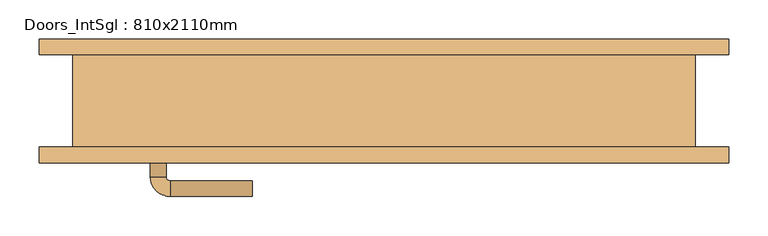
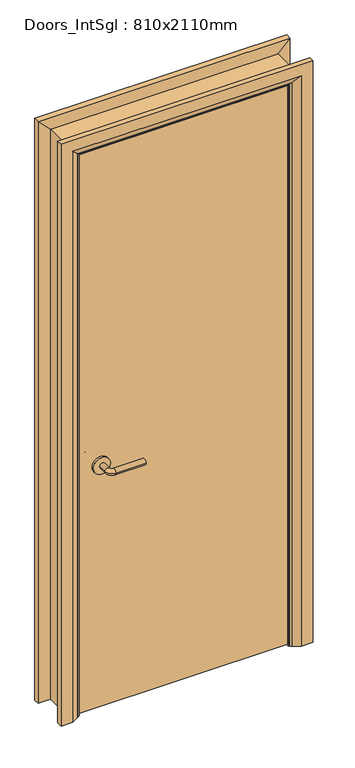
"""IFC4 building model written with IfcOpenShell, lengths in millimetres: door geometry, Doors_IntSgl : 810x2110mm."""

import ifcopenshell
import ifcopenshell.guid

model = None  # the IFC model being written
_history = None  # IfcOwnerHistory: only IFC2X3 demands one
_inside = {}  # id of a spatial element -> (the spatial element, [elements in it])
_under = {}  # id of a project, library or spatial element -> (it, [spatial elements below it])
_declared = {}  # id of a project -> (the project, [libraries it declares])
_typed = {}  # id of a type object -> (the type object, [elements of that type])
_made_of = {}  # id of a material, layer set ... -> (it, [elements and type objects made of it])


def new_model(schema):
    """Start an empty IFC model of exactly this schema.

    Asked for "IFC4X3", IfcOpenShell would pick the latest addendum, in which some entities
    have other attributes; the version numbers below select the first issue.
    IFC2X3 requires an IfcOwnerHistory on every rooted entity: one is made here for all.
    """
    global model, _history
    if schema == "IFC4X3":
        model = ifcopenshell.file(schema_version=(4, 3, 0, 0))
    else:
        model = ifcopenshell.file(schema=schema)
    _inside.clear()
    _under.clear()
    _declared.clear()
    _typed.clear()
    _made_of.clear()
    _history = None
    if model.schema == "IFC2X3":
        org = make("IfcOrganization", Name="unknown")
        user = make(
            "IfcPersonAndOrganization",
            ThePerson=make("IfcPerson", FamilyName="unknown"),
            TheOrganization=org,
        )
        app = make(
            "IfcApplication",
            ApplicationDeveloper=org,
            Version="unknown",
            ApplicationFullName="unknown",
            ApplicationIdentifier="unknown",
        )
        _history = make(
            "IfcOwnerHistory",
            OwningUser=user,
            OwningApplication=app,
            ChangeAction="ADDED",
            CreationDate=0,
        )
    return model


def make(cls, **values):
    """One entity of the class cls with the attributes given. An attribute that is None is left unset."""
    return model.create_entity(
        cls, **{name: value for name, value in values.items() if value is not None}
    )


def rooted(cls, **values):
    """An entity with a GlobalId (a new one), such as an element, a storey or a relation."""
    return make(cls, GlobalId=ifcopenshell.guid.new(), OwnerHistory=_history, **values)


def si_unit(unit_type, name, prefix=None):
    """IfcSIUnit, for example si_unit("LENGTHUNIT", "METRE", prefix="MILLI")."""
    return make("IfcSIUnit", UnitType=unit_type, Prefix=prefix, Name=name)


def assignment(units):
    """IfcUnitAssignment: the units of a project."""
    return None if units is None else make("IfcUnitAssignment", Units=units)


def point(xyz):
    """IfcCartesianPoint."""
    return None if xyz is None else make("IfcCartesianPoint", Coordinates=xyz)


def direction(xyz):
    """IfcDirection."""
    return None if xyz is None else make("IfcDirection", DirectionRatios=xyz)


def frame(location, z_axis=None, x_axis=None):
    """IfcAxis2Placement3D, a coordinate frame: its origin and axes. An axis left out is left unset."""
    return make(
        "IfcAxis2Placement3D",
        Location=point(location),
        Axis=direction(z_axis),
        RefDirection=direction(x_axis),
    )


def frame_2d(location, x_axis=None):
    """IfcAxis2Placement2D, a coordinate frame in the plane: its origin and x axis."""
    return make(
        "IfcAxis2Placement2D", Location=point(location), RefDirection=direction(x_axis)
    )


def origin():
    """The frame at (0, 0, 0) with its axes left unset."""
    return frame((0.0, 0.0, 0.0))


def place(relative_to, where):
    """IfcLocalPlacement: puts the frame where relative to a parent placement (None: the world)."""
    return make(
        "IfcLocalPlacement", PlacementRelTo=relative_to, RelativePlacement=where
    )


def context(
    kind, dimensions, precision=None, world=None, true_north=None, identifier=None
):
    """IfcGeometricRepresentationContext, for example the 3D "Model" context."""
    return make(
        "IfcGeometricRepresentationContext",
        ContextIdentifier=identifier,
        ContextType=kind,
        CoordinateSpaceDimension=dimensions,
        Precision=precision,
        WorldCoordinateSystem=world,
        TrueNorth=true_north,
    )


def project(units=None, contexts=None):
    """IfcProject with its units and contexts."""
    return rooted(
        "IfcProject",
        Name="project",
        RepresentationContexts=contexts,
        UnitsInContext=assignment(units),
    )


def spatial(cls, under=None, at=None, **own):
    """A site, building, storey or space (cls), placed at a placement, below another one or the project."""
    s = rooted(cls, ObjectPlacement=at, **own)
    if under is not None:
        _under.setdefault(under.id(), (under, []))[1].append(s)
    return s


def polyline(points):
    """IfcPolyline through the points."""
    return make("IfcPolyline", Points=[point(p) for p in points])


def circle_curve(where, radius):
    """IfcCircle in the frame where."""
    return make("IfcCircle", Position=where, Radius=radius)


def ellipse_curve(where, semi_axis1, semi_axis2):
    """IfcEllipse in the frame where."""
    return make(
        "IfcEllipse", Position=where, SemiAxis1=semi_axis1, SemiAxis2=semi_axis2
    )


def trimmed(basis, trim1, trim2, sense, master):
    """IfcTrimmedCurve: the piece of a basis curve between two trims."""
    return make(
        "IfcTrimmedCurve",
        BasisCurve=basis,
        Trim1=trim1,
        Trim2=trim2,
        SenseAgreement=sense,
        MasterRepresentation=master,
    )


def segment(curve, same_sense, transition):
    """IfcCompositeCurveSegment."""
    return make(
        "IfcCompositeCurveSegment",
        Transition=transition,
        SameSense=same_sense,
        ParentCurve=curve,
    )


def composite_curve(segments, self_intersect=None):
    """IfcCompositeCurve: segments joined end to end."""
    return make("IfcCompositeCurve", Segments=segments, SelfIntersect=self_intersect)


def outline(outer, holes=None, kind="AREA"):
    """IfcArbitraryClosedProfileDef: a profile drawn as a closed curve; with holes, ...WithVoids."""
    if holes is None:
        return make("IfcArbitraryClosedProfileDef", ProfileType=kind, OuterCurve=outer)
    return make(
        "IfcArbitraryProfileDefWithVoids",
        ProfileType=kind,
        OuterCurve=outer,
        InnerCurves=holes,
    )


def extrude(swept, where, along, depth):
    """IfcExtrudedAreaSolid: the profile swept, set in the frame where, extruded along a direction by depth."""
    return make(
        "IfcExtrudedAreaSolid",
        SweptArea=swept,
        Position=where,
        ExtrudedDirection=direction(along),
        Depth=depth,
    )


def faces_of(points, faces, orient=None, outer=None):
    """IfcFace entities. A face is a list of loops; a loop is a list of indices into points, from 0.

    orient and outer hold one flag for each loop. By default every Orientation is true, the
    first loop of a face is its IfcFaceOuterBound and the others are IfcFaceBound.
    """
    made = []
    for i, loops in enumerate(faces):
        bounds = []
        for j, loop in enumerate(loops):
            is_outer = j == 0 if outer is None else outer[i][j]
            bounds.append(
                make(
                    "IfcFaceOuterBound" if is_outer else "IfcFaceBound",
                    Bound=make("IfcPolyLoop", Polygon=[points[k] for k in loop]),
                    Orientation=True if orient is None else orient[i][j],
                )
            )
        made.append(make("IfcFace", Bounds=bounds))
    return made


def faceted_brep(points, faces, orient=None, outer=None, voids=None):
    """IfcFacetedBrep: a solid bounded by flat faces; with voids (closed shells), ...WithVoids."""
    shared = [point(p) for p in points]
    hull = make("IfcClosedShell", CfsFaces=faces_of(shared, faces, orient, outer))
    if voids is None:
        return make("IfcFacetedBrep", Outer=hull)
    return make(
        "IfcFacetedBrepWithVoids",
        Outer=hull,
        Voids=[
            make(cls, CfsFaces=faces_of(shared, fs, o, b)) for cls, fs, o, b in voids
        ],
    )


def shape(context_of_items, identifier, shape_type, items):
    """IfcShapeRepresentation: the items that make up one representation, for example the "Body"."""
    return make(
        "IfcShapeRepresentation",
        ContextOfItems=context_of_items,
        RepresentationIdentifier=identifier,
        RepresentationType=shape_type,
        Items=items,
    )


def source(mapping_origin, context_of_items, identifier, shape_type, items):
    """IfcRepresentationMap: a shape defined once, which mapped items show again and again."""
    return make(
        "IfcRepresentationMap",
        MappingOrigin=mapping_origin,
        MappedRepresentation=shape(context_of_items, identifier, shape_type, items),
    )


def transform(
    local_origin,
    x_axis=None,
    y_axis=None,
    z_axis=None,
    scale=None,
    scale2=None,
    scale3=None,
    uniform=True,
):
    """IfcCartesianTransformationOperator3D, or its non-uniform kind. x_axis, y_axis, z_axis: its Axis1, 2, 3."""
    if uniform:
        return make(
            "IfcCartesianTransformationOperator3D",
            Axis1=direction(x_axis),
            Axis2=direction(y_axis),
            LocalOrigin=point(local_origin),
            Scale=scale,
            Axis3=direction(z_axis),
        )
    return make(
        "IfcCartesianTransformationOperator3DnonUniform",
        Axis1=direction(x_axis),
        Axis2=direction(y_axis),
        LocalOrigin=point(local_origin),
        Scale=scale,
        Axis3=direction(z_axis),
        Scale2=scale2,
        Scale3=scale3,
    )


def mapped(mapping_source, mapping_target):
    """IfcMappedItem: shows the shape of a source again, moved by a transform."""
    return make(
        "IfcMappedItem", MappingSource=mapping_source, MappingTarget=mapping_target
    )


def made_of(thing, what):
    """Note that an element or type object is made of a material, layer set ...; save() writes the relation."""
    if what is not None:
        _made_of.setdefault(what.id(), (what, []))[1].append(thing)
    return thing


def element(
    cls,
    number,
    at=None,
    inside=None,
    cuts=None,
    type_object=None,
    material=None,
    context=None,
    identifier="Body",
    shape_type=None,
    held_by="IfcProductDefinitionShape",
    body=None,
    shapes=None,
    **own,
):
    """One element of the class cls, such as IfcWall. Its Tag is "e" and its number.

    at: its placement. inside: the storey or other place that contains it. cuts: it is an
    opening in that element (IfcRelVoidsElement). A single representation is given by context,
    identifier, shape_type and body (its items); several are given by shapes. held_by: the class
    of the entity that holds the representations. save() writes the other relations.
    """
    e = rooted(cls, Tag="e%d" % number, ObjectPlacement=at, **own)
    if body is not None:
        shapes = [shape(context, identifier, shape_type, body)]
    if shapes is not None:
        e.Representation = make(held_by, Representations=shapes)
    if inside is not None:
        _inside.setdefault(inside.id(), (inside, []))[1].append(e)
    if cuts is not None:
        rooted(
            "IfcRelVoidsElement", RelatingBuildingElement=cuts, RelatedOpeningElement=e
        )
    if type_object is not None:
        _typed.setdefault(type_object.id(), (type_object, []))[1].append(e)
    return made_of(e, material)


def aggregate(whole, parts):
    """IfcRelAggregates: a whole, such as a stair, and the parts it consists of."""
    return rooted("IfcRelAggregates", RelatingObject=whole, RelatedObjects=parts)


def save(model, path):
    """Write the relations noted so far, then the file.

    IfcRelAggregates (storeys below a building ...), IfcRelContainedInSpatialStructure (elements
    in a storey), IfcRelDefinesByType, IfcRelAssociatesMaterial and IfcRelDeclares: one each for
    every whole, place, type object, material and project.
    """
    for whole, parts in _under.values():
        aggregate(whole, parts)
    for where, things in _inside.values():
        rooted(
            "IfcRelContainedInSpatialStructure",
            RelatedElements=things,
            RelatingStructure=where,
        )
    for kind, things in _typed.values():
        rooted("IfcRelDefinesByType", RelatedObjects=things, RelatingType=kind)
    for what, things in _made_of.values():
        rooted("IfcRelAssociatesMaterial", RelatedObjects=things, RelatingMaterial=what)
    for by, libraries in _declared.values():
        rooted("IfcRelDeclares", RelatingContext=by, RelatedDefinitions=libraries)
    model.write(path)


def plane_surface(at):
    """IfcPlane: the flat surface through the origin of the frame at, square to its z axis."""
    return make("IfcPlane", Position=at)


def cylinder_surface(at, radius):
    """IfcCylindricalSurface: all points at the distance radius from the z axis of the frame at."""
    return make("IfcCylindricalSurface", Position=at, Radius=radius)


def revolved_surface(curve, axis_point, axis_direction):
    """IfcSurfaceOfRevolution: the curve turned about the line through axis_point along axis_direction."""
    return make(
        "IfcSurfaceOfRevolution",
        SweptCurve=make("IfcArbitraryOpenProfileDef", ProfileType="CURVE", Curve=curve),
        AxisPosition=make("IfcAxis1Placement", Location=point(axis_point), Axis=direction(axis_direction)),
    )


def advanced_brep(points, edges, surfaces, faces):
    """IfcAdvancedBrep: a solid bounded by faces that lie on surfaces and meet in shared edges.

    An edge is (start, end): straight between two places in points (the first is 0);
    or (start, end, curve); or (start, end, curve, False) where it runs against its curve.
    A face is (place in surfaces, loops), or (place, loops, False) where it looks against
    its surface's normal. A loop lists edges by number (the first is 1), with a minus sign
    where the edge is run from its end to its start. The first loop is the outer one.
    """
    corners = [point(p) for p in points]
    vertices = [make("IfcVertexPoint", VertexGeometry=c) for c in corners]
    made = []
    for start, end, *more in edges:
        made.append(
            make(
                "IfcEdgeCurve",
                EdgeStart=vertices[start],
                EdgeEnd=vertices[end],
                EdgeGeometry=more[0] if more else make("IfcPolyline", Points=[corners[start], corners[end]]),
                SameSense=more[1] if len(more) > 1 else True,
            )
        )
    hull = []
    for where, loops, *sense in faces:
        bounds = []
        for j, loop in enumerate(loops):
            ring = [make("IfcOrientedEdge", EdgeElement=made[abs(k) - 1], Orientation=k > 0) for k in loop]
            bounds.append(
                make(
                    "IfcFaceOuterBound" if j == 0 else "IfcFaceBound",
                    Bound=make("IfcEdgeLoop", EdgeList=ring),
                    Orientation=True,
                )
            )
        hull.append(make("IfcAdvancedFace", Bounds=bounds, FaceSurface=surfaces[where], SameSense=sense[0] if sense else True))
    return make("IfcAdvancedBrep", Outer=make("IfcClosedShell", CfsFaces=hull))


def doors_intsgl_810x2110mm_9aa1c829(model_context):
    return source(origin(), model_context, "Body", "SolidModel", [
        advanced_brep(
        [(-298.0, -13.0, 900.0), (-278.0, -13.0, 900.0), (-298.0, 17.0, 900.0), (-278.0, 17.0, 900.0), (-273.0, 22.0, 900.0), (-273.0, 42.0, 900.0), (-168.0, 42.0, 900.0), (-168.0, 22.0, 900.0)],
        [
            (0, 1, circle_curve(frame((-288.0, -13.0, 900.0), z_axis=(0.0, -1.0, 0.0), x_axis=(1.0, 0.0, 0.0)), 10.0)),
            (1, 0, circle_curve(frame((-288.0, -13.0, 900.0), z_axis=(0.0, -1.0, 0.0), x_axis=(1.0, 0.0, 0.0)), 10.0)),
            (0, 2),
            (2, 3, circle_curve(frame((-288.0, 17.0, 900.0), z_axis=(0.0, -1.0, 0.0), x_axis=(1.0, 0.0, 0.0)), 10.0)),
            (3, 1),
            (3, 2, circle_curve(frame((-288.0, 17.0, 900.0), z_axis=(0.0, -1.0, 0.0), x_axis=(1.0, 0.0, 0.0)), 10.0)),
            (4, 3, circle_curve(frame((-273.0, 17.0, 900.0), z_axis=(0.0, 0.0, 1.0), x_axis=(-1.0, 0.0, 0.0)), 5.0)),
            (2, 5, circle_curve(frame((-273.0, 17.0, 900.0), z_axis=(0.0, 0.0, -1.0), x_axis=(-1.0, 0.0, 0.0)), 25.0)),
            (5, 4, circle_curve(frame((-273.0, 32.0, 900.0), z_axis=(-1.0, 0.0, 0.0), x_axis=(0.0, -1.0, 0.0)), 10.0)),
            (4, 5, circle_curve(frame((-273.0, 32.0, 900.0), z_axis=(-1.0, 0.0, 0.0), x_axis=(0.0, -1.0, 0.0)), 10.0)),
            (6, 7, circle_curve(frame((-168.0, 32.0, 900.0), z_axis=(1.0, 0.0, 0.0), x_axis=(0.0, -1.0, 0.0)), 10.0)),
            (7, 6, circle_curve(frame((-168.0, 32.0, 900.0), z_axis=(1.0, 0.0, 0.0), x_axis=(0.0, -1.0, 0.0)), 10.0)),
            (5, 6),
            (7, 4),
        ],
        [
            plane_surface(frame((-288.0, -13.0, 900.0), z_axis=(0.0, -1.0, 0.0), x_axis=(0.0, 0.0, 1.0))),
            cylinder_surface(frame((-288.0, -13.0, 900.0), z_axis=(0.0, -1.0, 0.0), x_axis=(1.0, 0.0, 0.0)), 10.0),
            revolved_surface(trimmed(ellipse_curve(frame((-288.0, 17.0, 900.0), z_axis=(0.0, -1.0, 0.0), x_axis=(1.0, 0.0, 0.0)), 10.0, 10.0), [point((-298.0, 17.0, 900.0))], [point((-278.0, 17.0, 900.0))], True, "CARTESIAN"), (-273.0, 17.0, 900.0), (0.0, 0.0, -1.0)),
            revolved_surface(trimmed(ellipse_curve(frame((-288.0, 17.0, 900.0), z_axis=(0.0, -1.0, 0.0), x_axis=(1.0, 0.0, 0.0)), 10.0, 10.0), [point((-278.0, 17.0, 900.0))], [point((-298.0, 17.0, 900.0))], True, "CARTESIAN"), (-273.0, 17.0, 900.0), (0.0, 0.0, -1.0)),
            plane_surface(frame((-168.0, 32.0, 900.0), z_axis=(1.0, 0.0, 0.0), x_axis=(0.0, 0.0, 1.0))),
            cylinder_surface(frame((-273.0, 32.0, 900.0), z_axis=(-1.0, 0.0, 0.0), x_axis=(0.0, -1.0, 0.0)), 10.0),
        ],
        [
            (0, [[1, 2]]),
            (1, [[-1, 3, 4, 5]]),
            (1, [[-2, -5, 6, -3]]),
            (2, [[7, -4, 8, 9]]),
            (3, [[-8, -6, -7, 10]]),
            (4, [[11, 12]]),
            (5, [[-9, 13, -12, 14]]),
            (5, [[-10, -14, -11, -13]]),
        ],
    ),
        extrude(outline(composite_curve([segment(trimmed(circle_curve(frame_2d((900.0, -290.5)), 30.0), [point((900.0, -320.5))], [point((900.0, -260.5))], False, "CARTESIAN"), True, "CONTINUOUS"), segment(trimmed(circle_curve(frame_2d((900.0, -290.5)), 30.0), [point((900.0, -260.5))], [point((900.0, -320.5))], False, "CARTESIAN"), True, "CONTINUOUS")], self_intersect=False)), frame((0.0, -21.0, 0.0), z_axis=(0.0, 1.0, 0.0), x_axis=(0.0, 0.0, 1.0)), (0.0, 0.0, 1.0), 8.0),
        advanced_brep(
        [(-298.0, -67.0, 900.0), (-278.0, -67.0, 900.0), (-278.0, -97.0, 900.0), (-298.0, -97.0, 900.0), (-273.0, -102.0, 900.0), (-273.0, -122.0, 900.0), (-168.0, -122.0, 900.0), (-168.0, -102.0, 900.0)],
        [
            (0, 1, circle_curve(frame((-288.0, -67.0, 900.0), z_axis=(0.0, 1.0, 0.0), x_axis=(1.0, 0.0, 0.0)), 10.0)),
            (1, 0, circle_curve(frame((-288.0, -67.0, 900.0), z_axis=(0.0, 1.0, 0.0), x_axis=(1.0, 0.0, 0.0)), 10.0)),
            (1, 2),
            (2, 3, circle_curve(frame((-288.0, -97.0, 900.0), z_axis=(0.0, 1.0, 0.0), x_axis=(1.0, 0.0, 0.0)), 10.0)),
            (3, 0),
            (3, 2, circle_curve(frame((-288.0, -97.0, 900.0), z_axis=(0.0, 1.0, 0.0), x_axis=(1.0, 0.0, 0.0)), 10.0)),
            (4, 5, circle_curve(frame((-273.0, -112.0, 900.0), z_axis=(-1.0, 0.0, 0.0), x_axis=(0.0, 1.0, 0.0)), 10.0)),
            (5, 3, circle_curve(frame((-273.0, -97.0, 900.0), z_axis=(0.0, 0.0, -1.0), x_axis=(-1.0, 0.0, 0.0)), 25.0)),
            (2, 4, circle_curve(frame((-273.0, -97.0, 900.0), z_axis=(0.0, 0.0, 1.0), x_axis=(-1.0, 0.0, 0.0)), 5.0)),
            (5, 4, circle_curve(frame((-273.0, -112.0, 900.0), z_axis=(-1.0, 0.0, 0.0), x_axis=(0.0, 1.0, 0.0)), 10.0)),
            (6, 7, circle_curve(frame((-168.0, -112.0, 900.0), z_axis=(1.0, 0.0, 0.0), x_axis=(0.0, 1.0, 0.0)), 10.0)),
            (7, 6, circle_curve(frame((-168.0, -112.0, 900.0), z_axis=(1.0, 0.0, 0.0), x_axis=(0.0, 1.0, 0.0)), 10.0)),
            (4, 7),
            (6, 5),
        ],
        [
            plane_surface(frame((-288.0, -67.0, 900.0), z_axis=(0.0, 1.0, 0.0), x_axis=(0.0, 0.0, 1.0))),
            cylinder_surface(frame((-288.0, -67.0, 900.0), z_axis=(0.0, 1.0, 0.0), x_axis=(1.0, 0.0, 0.0)), 10.0),
            revolved_surface(trimmed(ellipse_curve(frame((-288.0, -97.0, 900.0), z_axis=(0.0, -1.0, 0.0), x_axis=(1.0, 0.0, 0.0)), 10.0, 10.0), [point((-298.0, -97.0, 900.0))], [point((-278.0, -97.0, 900.0))], True, "CARTESIAN"), (-273.0, -97.0, 900.0), (0.0, 0.0, -1.0)),
            revolved_surface(trimmed(ellipse_curve(frame((-288.0, -97.0, 900.0), z_axis=(0.0, -1.0, 0.0), x_axis=(1.0, 0.0, 0.0)), 10.0, 10.0), [point((-278.0, -97.0, 900.0))], [point((-298.0, -97.0, 900.0))], True, "CARTESIAN"), (-273.0, -97.0, 900.0), (0.0, 0.0, -1.0)),
            plane_surface(frame((-168.0, -112.0, 900.0), z_axis=(1.0, 0.0, 0.0), x_axis=(0.0, 0.0, 1.0))),
            cylinder_surface(frame((-273.0, -112.0, 900.0), z_axis=(-1.0, 0.0, 0.0), x_axis=(0.0, 1.0, 0.0)), 10.0),
        ],
        [
            (0, [[1, 2]]),
            (1, [[3, 4, 5, -2]]),
            (1, [[-5, 6, -3, -1]]),
            (2, [[7, 8, -4, 9]]),
            (3, [[10, -9, -6, -8]]),
            (4, [[11, 12]]),
            (5, [[13, -11, 14, -7]]),
            (5, [[-14, -12, -13, -10]]),
        ],
    ),
        extrude(outline(composite_curve([segment(trimmed(circle_curve(frame_2d((900.0, -290.5)), 30.0), [point((900.0, -320.5))], [point((900.0, -260.5))], False, "CARTESIAN"), True, "CONTINUOUS"), segment(trimmed(circle_curve(frame_2d((900.0, -290.5)), 30.0), [point((900.0, -260.5))], [point((900.0, -320.5))], False, "CARTESIAN"), True, "CONTINUOUS")], self_intersect=False)), frame((0.0, -67.0, 0.0), z_axis=(0.0, 1.0, 0.0), x_axis=(0.0, 0.0, 1.0)), (0.0, 0.0, 1.0), 8.0),
        extrude(outline(polyline([(363.0, -21.0), (363.0, -59.0), (-363.0, -59.0), (-363.0, -21.0), (363.0, -21.0)])), frame((0.0, 0.0, 8.0), z_axis=(0.0, 0.0, 1.0), x_axis=(1.0, 0.0, 0.0)), (0.0, 0.0, 1.0), 2060.0),
        advanced_brep(
        [(440.0, -79.0, 0.0), (400.0, -79.0, 0.0), (374.0, -65.0, 0.0), (370.0, -59.0, 0.0), (440.0, -59.0, 0.0), (440.0, -59.0, 2145.0), (440.0, -79.0, 2145.0), (370.0, -59.0, 2075.0), (-370.0, -59.0, 2075.0), (-370.0, -59.0, 0.0), (-440.0, -59.0, 0.0), (-440.0, -59.0, 2145.0), (374.0, -65.0, 2079.0), (400.0, -79.0, 2105.0), (-440.0, -79.0, 2145.0), (-440.0, -79.0, 0.0), (-400.0, -79.0, 0.0), (-400.0, -79.0, 2105.0), (-374.0, -65.0, 2079.0), (-374.0, -65.0, 0.0)],
        [
            (0, 1),
            (1, 2),
            (2, 3, circle_curve(frame((378.0, -58.0, 0.0), z_axis=(0.0, 0.0, -1.0), x_axis=(1.0, 0.0, 0.0)), 8.0622577)),
            (3, 4),
            (4, 0),
            (4, 5),
            (5, 6),
            (6, 0),
            (3, 7),
            (7, 8),
            (8, 9),
            (9, 10),
            (10, 11),
            (11, 5),
            (2, 12),
            (12, 7, ellipse_curve(frame((378.0, -58.0, 2083.0), z_axis=(0.7071067811865475, 0.0, -0.7071067811865475), x_axis=(-0.7071067811865474, 0.0, -0.7071067811865476)), 11.4017543, 8.0622577)),
            (1, 13),
            (13, 12),
            (6, 14),
            (14, 15),
            (15, 16),
            (16, 17),
            (17, 13),
            (11, 14),
            (12, 18),
            (18, 8, ellipse_curve(frame((-378.0, -58.0, 2083.0), z_axis=(0.7071067811865475, 0.0, 0.7071067811865475), x_axis=(0.7071067811865476, 0.0, -0.7071067811865474)), 11.4017543, 8.0622577)),
            (17, 18),
            (15, 10),
            (9, 19, circle_curve(frame((-378.0, -58.0, 0.0), z_axis=(0.0, 0.0, -1.0), x_axis=(-1.0, 0.0, 0.0)), 8.0622577)),
            (19, 16),
            (18, 19),
        ],
        [
            plane_surface(frame((370.0, -59.0, 0.0), z_axis=(0.0, 0.0, -1.0), x_axis=(0.0, 1.0, 0.0))),
            plane_surface(frame((440.0, -79.0, 0.0), z_axis=(1.0, 0.0, 0.0), x_axis=(0.0, 0.0, 1.0))),
            plane_surface(frame((440.0, -59.0, 0.0), z_axis=(0.0, 1.0, 0.0), x_axis=(0.0, 0.0, 1.0))),
            cylinder_surface(frame((378.0, -58.0, 0.0), z_axis=(0.0, 0.0, -1.0), x_axis=(1.0, 0.0, 0.0)), 8.0622577),
            plane_surface(frame((374.0, -65.0, 0.0), z_axis=(-0.4740998230350126, -0.880471099922178, 0.0), x_axis=(0.0, 0.0, 1.0))),
            plane_surface(frame((400.0, -79.0, 0.0), z_axis=(0.0, -1.0, 0.0), x_axis=(0.0, 0.0, 1.0))),
            plane_surface(frame((440.0, -79.0, 2145.0), z_axis=(0.0, 0.0, 1.0), x_axis=(-1.0, 0.0, 0.0))),
            cylinder_surface(frame((370.0, -58.0, 2083.0), z_axis=(1.0, 0.0, 0.0), x_axis=(0.0, 0.0, 1.0)), 8.0622577),
            plane_surface(frame((374.0, -65.0, 2079.0), z_axis=(0.0, -0.8804710999221764, -0.4740998230350154), x_axis=(-1.0, 0.0, 0.0))),
            plane_surface(frame((-370.0, -59.0, 0.0), z_axis=(0.0, 0.0, -1.0), x_axis=(0.0, 1.0, 0.0))),
            plane_surface(frame((-440.0, -79.0, 2145.0), z_axis=(-1.0, 0.0, 0.0), x_axis=(0.0, 0.0, -1.0))),
            cylinder_surface(frame((-378.0, -58.0, 2075.0), z_axis=(0.0, 0.0, 1.0), x_axis=(-1.0, 0.0, 0.0)), 8.0622577),
            plane_surface(frame((-374.0, -65.0, 2079.0), z_axis=(0.47409982303501824, -0.8804710999221749, 0.0), x_axis=(0.0, 0.0, -1.0))),
        ],
        [
            (0, [[1, 2, 3, 4, 5]]),
            (1, [[6, 7, 8, -5]]),
            (2, [[9, 10, 11, 12, 13, 14, -6, -4]]),
            (3, [[15, 16, -9, -3]]),
            (4, [[17, 18, -15, -2]]),
            (5, [[-8, 19, 20, 21, 22, 23, -17, -1]]),
            (6, [[-14, 24, -19, -7]]),
            (7, [[25, 26, -10, -16]]),
            (8, [[-23, 27, -25, -18]]),
            (9, [[28, -12, 29, 30, -21]]),
            (10, [[-13, -28, -20, -24]]),
            (11, [[31, -29, -11, -26]]),
            (12, [[-22, -30, -31, -27]]),
        ],
    ),
        extrude(outline(polyline([(0.0, -346.0), (2051.0, -346.0), (2051.0, 346.0), (0.0, 346.0), (0.0, 365.0), (2070.0, 365.0), (2070.0, -365.0), (0.0, -365.0), (0.0, -346.0)])), frame((0.0, -19.0, 0.0), z_axis=(0.0, 1.0, 0.0), x_axis=(0.0, 0.0, 1.0)), (0.0, 0.0, 1.0), 32.0),
        advanced_brep(
        [(-440.0, 79.0, 0.0), (-400.0, 79.0, 0.0), (-374.0, 65.0, 0.0), (-370.0, 59.0, 0.0), (-440.0, 59.0, 0.0), (-440.0, 59.0, 2145.0), (-440.0, 79.0, 2145.0), (-370.0, 59.0, 2075.0), (-374.0, 65.0, 2079.0), (-400.0, 79.0, 2105.0), (440.0, 59.0, 2145.0), (440.0, 79.0, 2145.0), (370.0, 59.0, 2075.0), (374.0, 65.0, 2079.0), (400.0, 79.0, 2105.0), (440.0, 79.0, 0.0), (440.0, 59.0, 0.0), (370.0, 59.0, 0.0), (374.0, 65.0, 0.0), (400.0, 79.0, 0.0)],
        [
            (0, 1),
            (1, 2),
            (2, 3, circle_curve(frame((-378.0, 58.0, 0.0), z_axis=(0.0, 0.0, -1.0), x_axis=(-1.0, 0.0, 0.0)), 8.0622577)),
            (3, 4),
            (4, 0),
            (4, 5),
            (5, 6),
            (6, 0),
            (3, 7),
            (7, 5),
            (2, 8),
            (8, 7, ellipse_curve(frame((-378.0, 58.0, 2083.0), z_axis=(-0.7071067811865475, 0.0, -0.7071067811865475), x_axis=(0.7071067811865474, 0.0, -0.7071067811865476)), 11.4017543, 8.0622577)),
            (1, 9),
            (9, 8),
            (6, 9),
            (5, 10),
            (10, 11),
            (11, 6),
            (7, 12),
            (12, 10),
            (8, 13),
            (13, 12, ellipse_curve(frame((378.0, 58.0, 2083.0), z_axis=(-0.7071067811865475, 0.0, 0.7071067811865475), x_axis=(-0.7071067811865476, 0.0, -0.7071067811865474)), 11.4017543, 8.0622577)),
            (9, 14),
            (14, 13),
            (11, 14),
            (15, 16),
            (16, 17),
            (17, 18, circle_curve(frame((378.0, 58.0, 0.0), z_axis=(0.0, 0.0, -1.0), x_axis=(1.0, 0.0, 0.0)), 8.0622577)),
            (18, 19),
            (19, 15),
            (10, 16),
            (15, 11),
            (12, 17),
            (13, 18),
            (14, 19),
        ],
        [
            plane_surface(frame((-370.0, 131.8010989, 0.0), z_axis=(0.0, 0.0, -1.0), x_axis=(1.0, 0.0, 0.0))),
            plane_surface(frame((-440.0, 79.0, 0.0), z_axis=(-1.0, 0.0, 0.0), x_axis=(0.0, 0.0, 1.0))),
            plane_surface(frame((-440.0, 59.0, 0.0), z_axis=(0.0, -1.0, 0.0), x_axis=(0.0, 0.0, 1.0))),
            cylinder_surface(frame((-378.0, 58.0, 0.0), z_axis=(0.0, 0.0, -1.0), x_axis=(-1.0, 0.0, 0.0)), 8.0622577),
            plane_surface(frame((-374.0, 65.0, 0.0), z_axis=(0.4740998230350183, 0.8804710999221749, 0.0), x_axis=(0.0, 0.0, 1.0))),
            plane_surface(frame((-400.0, 79.0, 0.0), z_axis=(0.0, 1.0, 0.0), x_axis=(0.0, 0.0, 1.0))),
            plane_surface(frame((-440.0, 79.0, 2145.0), z_axis=(0.0, 0.0, 1.0), x_axis=(1.0, 0.0, 0.0))),
            plane_surface(frame((-440.0, 59.0, 2145.0), z_axis=(0.0, -1.0, 0.0), x_axis=(1.0, 0.0, 0.0))),
            cylinder_surface(frame((-370.0, 58.0, 2083.0), z_axis=(-1.0, 0.0, 0.0), x_axis=(0.0, 0.0, 1.0)), 8.0622577),
            plane_surface(frame((-374.0, 65.0, 2079.0), z_axis=(0.0, 0.8804710999221749, -0.4740998230350183), x_axis=(1.0, 0.0, 0.0))),
            plane_surface(frame((-400.0, 79.0, 2105.0), z_axis=(0.0, 1.0, 0.0), x_axis=(1.0, 0.0, 0.0))),
            plane_surface(frame((370.0, 131.8010989, 0.0), z_axis=(0.0, 0.0, -1.0), x_axis=(-1.0, 0.0, 0.0))),
            plane_surface(frame((440.0, 79.0, 2145.0), z_axis=(1.0, 0.0, 0.0), x_axis=(0.0, 0.0, -1.0))),
            plane_surface(frame((440.0, 59.0, 2145.0), z_axis=(0.0, -1.0, 0.0), x_axis=(0.0, 0.0, -1.0))),
            cylinder_surface(frame((378.0, 58.0, 2075.0), z_axis=(0.0, 0.0, 1.0), x_axis=(1.0, 0.0, 0.0)), 8.0622577),
            plane_surface(frame((374.0, 65.0, 2079.0), z_axis=(-0.4740998230350183, 0.8804710999221749, 0.0), x_axis=(0.0, 0.0, -1.0))),
            plane_surface(frame((400.0, 79.0, 2105.0), z_axis=(0.0, 1.0, 0.0), x_axis=(0.0, 0.0, -1.0))),
        ],
        [
            (0, [[1, 2, 3, 4, 5]]),
            (1, [[6, 7, 8, -5]]),
            (2, [[9, 10, -6, -4]]),
            (3, [[11, 12, -9, -3]]),
            (4, [[13, 14, -11, -2]]),
            (5, [[-8, 15, -13, -1]]),
            (6, [[16, 17, 18, -7]]),
            (7, [[19, 20, -16, -10]]),
            (8, [[21, 22, -19, -12]]),
            (9, [[23, 24, -21, -14]]),
            (10, [[-18, 25, -23, -15]]),
            (11, [[26, 27, 28, 29, 30]]),
            (12, [[31, -26, 32, -17]]),
            (13, [[33, -27, -31, -20]]),
            (14, [[34, -28, -33, -22]]),
            (15, [[35, -29, -34, -24]]),
            (16, [[-32, -30, -35, -25]]),
        ],
    ),
        faceted_brep([(-365.0, -59.0, 0.0), (-397.0, -59.0, 0.0), (-397.0, 59.0, 0.0), (-365.0, 59.0, 0.0), (-365.0, 59.0, 2070.0), (-365.0, -59.0, 2070.0), (-397.0, 59.0, 2102.0), (-397.0, -59.0, 2102.0), (365.0, 59.0, 2070.0), (365.0, -59.0, 2070.0), (397.0, 59.0, 2102.0), (397.0, -59.0, 2102.0), (365.0, -59.0, 0.0), (365.0, 59.0, 0.0), (397.0, 59.0, 0.0), (397.0, -59.0, 0.0)], [[[0, 1, 2, 3]], [[3, 4, 5, 0]], [[2, 6, 4, 3]], [[1, 7, 6, 2]], [[0, 5, 7, 1]], [[4, 8, 9, 5]], [[6, 10, 8, 4]], [[7, 11, 10, 6]], [[5, 9, 11, 7]], [[12, 13, 14, 15]], [[8, 13, 12, 9]], [[10, 14, 13, 8]], [[11, 15, 14, 10]], [[9, 12, 15, 11]]]),
    ])


if __name__ == "__main__":
    model = new_model("IFC4")
    model_context = context("Model", 3, world=origin())
    ifc_project = project(units=[si_unit("LENGTHUNIT", "METRE", prefix="MILLI")], contexts=[model_context])
    site = spatial("IfcSite", under=ifc_project)
    building = spatial("IfcBuilding", under=site)
    placement = place(None, origin())
    doors_intsgl_810x2110mm_shape = doors_intsgl_810x2110mm_9aa1c829(model_context)
    element("IfcDoor", 1, ObjectType="Doors_IntSgl : 810x2110mm", at=placement, inside=building, context=model_context, shape_type="MappedRepresentation", body=[
        mapped(doors_intsgl_810x2110mm_shape, transform((0.0, 0.0, 0.0), x_axis=(1.0, 0.0, 0.0), y_axis=(0.0, 1.0, 0.0), z_axis=(0.0, 0.0, 1.0))),
    ])
    save(model, "model.ifc")
